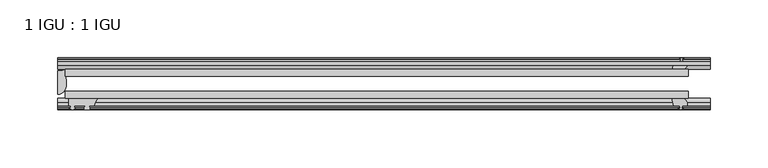
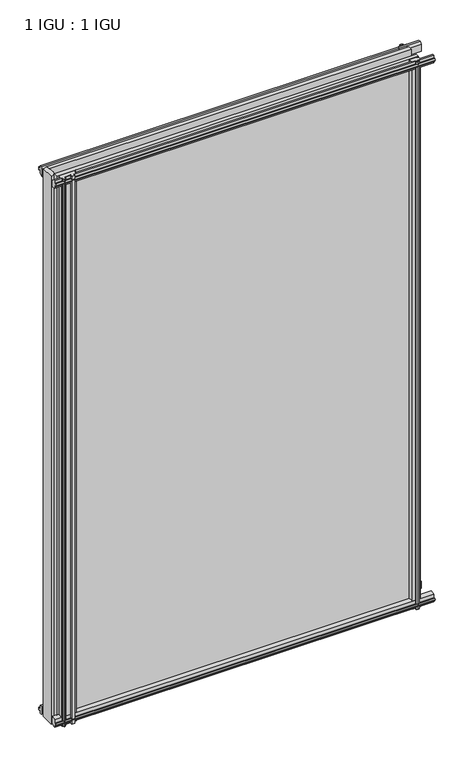
"""IFC4 building model written with IfcOpenShell, lengths in millimetres: plate geometry, 1 IGU : 1 IGU."""

from ifc_helpers import new_model, si_unit, point, frame, frame_2d, origin, place, context, project, spatial, polyline, circle_curve, ellipse_curve, trimmed, segment, composite_curve, outline, extrude, source, transform, mapped, element, save
from ifc_brep_helpers import plane_surface, cylinder_surface, revolved_surface, extruded_surface, advanced_brep


def plate_1_igu_1_igu_3858bde6(model_context):
    return source(origin(), model_context, "Body", "SolidModel", [
        extrude(outline(polyline([(-276.2250001, -38.6468937), (263.5250001, -38.6468937), (263.5250001, -44.9460938), (-276.2250001, -44.9460938), (-276.2250001, -38.6468937)])), frame((0.0, 0.0, -12.7), z_axis=(0.0, 0.0, 1.0), x_axis=(1.0, 0.0, 0.0)), (0.0, 0.0, 1.0), 863.5872996),
        extrude(outline(polyline([(-276.2250001, -19.5460937), (263.5250001, -19.5460937), (263.5250001, -25.8960938), (-276.2250001, -25.8960938), (-276.2250001, -19.5460937)])), frame((0.0, 0.0, -12.7), z_axis=(0.0, 0.0, 1.0), x_axis=(1.0, 0.0, 0.0)), (0.0, 0.0, 1.0), 863.5872996),
        advanced_brep(
        [(-282.5750001, -21.1706006, -12.7), (-276.2263882, -19.5461438, -12.7), (-276.2263882, -25.8549351, -12.7), (-275.0510369, -32.21431, -12.7), (-282.5750001, -41.5384043, -12.7), (-282.5750001, -21.1706006, 850.8872996), (-282.5750001, -41.5384043, 850.8872996), (-275.0510369, -32.21431, 850.8872996), (-276.2263882, -25.8549351, 850.8872996), (-276.2263882, -19.5461438, 850.8872996)],
        [
            (0, 1, circle_curve(frame((-282.5755695, -7.9505008, -12.7), z_axis=(0.0, 0.0, 1.0), x_axis=(1.0, 0.0, 0.0)), 13.2200998)),
            (1, 2),
            (2, 3, circle_curve(frame((-293.1134013, -32.2643264, -12.7), z_axis=(0.0, 0.0, -1.0), x_axis=(1.0, 0.0, 0.0)), 18.0624336)),
            (3, 4, ellipse_curve(frame((-282.5741672, -32.2460921, -12.7), z_axis=(0.0, 0.0, -1.0), x_axis=(0.0, -1.0, 0.0)), 9.2923123, 7.5231742)),
            (4, 0),
            (5, 6),
            (6, 7, ellipse_curve(frame((-282.5741672, -32.2460921, 850.8872996), z_axis=(0.0, 0.0, 1.0), x_axis=(0.0, -1.0, 0.0)), 9.2923123, 7.5231742)),
            (7, 8, circle_curve(frame((-293.1134013, -32.2643264, 850.8872996), z_axis=(0.0, 0.0, 1.0), x_axis=(1.0, 0.0, 0.0)), 18.0624336)),
            (8, 9),
            (9, 5, circle_curve(frame((-282.5755695, -7.9505008, 850.8872996), z_axis=(0.0, 0.0, -1.0), x_axis=(1.0, 0.0, 0.0)), 13.2200998)),
            (0, 5),
            (9, 1),
            (8, 2),
            (7, 3),
            (6, 4),
        ],
        [
            plane_surface(frame((-282.5750001, -13.1960937, -12.7), z_axis=(0.0, 0.0, -1.0), x_axis=(0.0, 1.0, 0.0))),
            plane_surface(frame((-282.5750001, -13.1960937, 850.8872996), z_axis=(0.0, 0.0, 1.0), x_axis=(0.0, 1.0, 0.0))),
            revolved_surface(polyline([(-269.35546969999996, -7.9505008, 850.8872996), (-269.35546969999996, -7.9505008, -12.7)]), (-282.5755695, -7.9505008, -12.7), (0.0, 0.0, 1.0)),
            plane_surface(frame((-276.2263882, -19.5461438, -12.7), z_axis=(1.0, 0.0, 0.0), x_axis=(0.0, 0.0, 1.0))),
            cylinder_surface(frame((-293.1134013, -32.2643264, -12.7), z_axis=(0.0, 0.0, -1.0), x_axis=(1.0, 0.0, 0.0)), 18.0624336),
            extruded_surface(trimmed(ellipse_curve(frame((-282.5741672, -32.2460921, 850.8872996), z_axis=(0.0, 0.0, -1.0), x_axis=(0.0, -1.0, 0.0)), 9.2923123, 7.5231742), [point((-275.0510369, -32.21431, 850.8872996))], [point((-282.5750001, -41.5384043, 850.8872996))], True, "CARTESIAN"), (0.0, 0.0, -863.5872996), 863.5872996),
            plane_surface(frame((-282.5750001, -41.5384043, -12.7), z_axis=(-1.0, 0.0, 0.0), x_axis=(0.0, 0.0, 1.0))),
        ],
        [
            (0, [[1, 2, 3, 4, 5]]),
            (1, [[6, 7, 8, 9, 10]]),
            (2, [[-1, 11, -10, 12]]),
            (3, [[-2, -12, -9, 13]]),
            (4, [[-3, -13, -8, 14]]),
            (5, [[-4, -14, -7, 15]]),
            (6, [[-5, -15, -6, -11]]),
        ],
    ),
        extrude(outline(polyline([(-44.9460937, 1.7177181), (-44.9460937, -9.1036578), (-48.3496937, -11.938), (-51.2960937, -11.938), (-51.2960937, -7.493), (-53.6762907, -7.112), (-53.2163575, -8.5275291), (-54.0175717, -8.5275291), (-54.7250937, -6.35), (-54.0175717, -4.1724709), (-53.2163575, -4.1724709), (-53.6762907, -5.588), (-51.2960937, -5.207), (-51.2960937, 0.0), (-44.9460937, 1.7177181)])), frame((-282.5750001, 0.0, 0.0), z_axis=(1.0, 0.0, 0.0), x_axis=(0.0, 1.0, 0.0)), (0.0, 0.0, 1.0), 565.1500002),
        extrude(outline(polyline([(-13.1960937, -12.4587), (-16.1424937, -12.4587), (-19.5460937, -9.6243578), (-19.5460937, 1.1970181), (-13.1960937, -0.5207), (-13.1960937, -5.7277), (-10.8158968, -6.1087), (-11.27583, -4.6931709), (-10.4746158, -4.6931709), (-9.7670937, -6.8707), (-10.4746158, -9.0482291), (-11.27583, -9.0482291), (-10.8158968, -7.6327), (-13.1960937, -8.0137), (-13.1960937, -12.4587)])), frame((-282.5750001, 0.0, 0.0), z_axis=(1.0, 0.0, 0.0), x_axis=(0.0, 1.0, 0.0)), (0.0, 0.0, 1.0), 565.1500002),
        extrude(outline(polyline([(-51.2960937, 850.1252996), (-48.3496937, 850.1252996), (-44.9460937, 847.2909574), (-44.9460937, 836.4695815), (-51.2960937, 838.1872996), (-51.2960937, 843.3942996), (-53.6762907, 843.7752996), (-53.2163575, 842.3597706), (-54.0175717, 842.3597706), (-54.7250937, 844.5372996), (-54.0175717, 846.7148287), (-53.2163575, 846.7148287), (-53.6762907, 845.2992996), (-51.2960937, 845.6802996), (-51.2960937, 850.1252996)])), frame((-282.5750001, 0.0, 0.0), z_axis=(1.0, 0.0, 0.0), x_axis=(0.0, 1.0, 0.0)), (0.0, 0.0, 1.0), 565.1500002),
        extrude(outline(polyline([(-19.5460937, 836.9902815), (-19.5460937, 847.8116574), (-16.1424937, 850.6459996), (-13.1960937, 850.6459996), (-13.1960937, 846.2009996), (-10.8158968, 845.8199996), (-11.27583, 847.2355287), (-10.4746158, 847.2355287), (-9.7670937, 845.0579996), (-10.4746158, 842.8804706), (-11.27583, 842.8804706), (-10.8158968, 844.2959996), (-13.1960937, 843.9149996), (-13.1960937, 838.7079996), (-19.5460937, 836.9902815)])), frame((-282.5750001, 0.0, 0.0), z_axis=(1.0, 0.0, 0.0), x_axis=(0.0, 1.0, 0.0)), (0.0, 0.0, 1.0), 565.1500002),
        extrude(outline(composite_curve([segment(trimmed(circle_curve(frame_2d((-241.8090688, -51.9750196)), 9.0414579), [point((-247.4960857, -44.9460938))], [point((-250.8250002, -51.2960938))], True, "CARTESIAN"), True, "CONTINUOUS"), segment(polyline([(-250.8250002, -51.2960938), (-255.0668002, -51.2960938)]), True, "CONTINUOUS"), segment(trimmed(circle_curve(frame_2d((-255.0668002, -51.7532938)), 0.4572), [point((-255.0668002, -51.2960938))], [point((-255.4056181, -52.0602698))], True, "CARTESIAN"), True, "CONTINUOUS"), segment(trimmed(circle_curve(frame_2d((-257.1750002, -53.663367)), 2.3876), [point((-255.4056181, -52.0602698))], [point((-255.1043572, -54.8520938))], False, "CARTESIAN"), True, "CONTINUOUS"), segment(polyline([(-255.1043572, -54.8520938), (-259.2456432, -54.8520938)]), True, "CONTINUOUS"), segment(trimmed(circle_curve(frame_2d((-257.1750002, -53.663367)), 2.3876), [point((-259.2456432, -54.8520938))], [point((-258.9443824, -52.0602698))], False, "CARTESIAN"), True, "CONTINUOUS"), segment(trimmed(circle_curve(frame_2d((-259.2832002, -51.7532938)), 0.4572), [point((-258.9443824, -52.0602698))], [point((-259.2832002, -51.2960938))], True, "CARTESIAN"), True, "CONTINUOUS"), segment(polyline([(-259.2832002, -51.2960938), (-268.3510002, -51.2960938), (-268.3510002, -52.9470938), (-267.2733695, -52.9470938)]), True, "CONTINUOUS"), segment(trimmed(circle_curve(frame_2d((-268.3510002, -52.9470938)), 1.0776307), [point((-267.2733695, -52.9470938))], [point((-267.5890002, -53.7090938))], False, "CARTESIAN"), True, "CONTINUOUS"), segment(polyline([(-267.5890002, -53.7090938), (-269.3282926, -54.8194621)]), True, "CONTINUOUS"), segment(trimmed(circle_curve(frame_2d((-269.8750002, -53.9630938)), 1.016), [point((-269.3282926, -54.8194621))], [point((-270.4217078, -54.8194621))], False, "CARTESIAN"), True, "CONTINUOUS"), segment(polyline([(-270.4217078, -54.8194621), (-272.1610002, -53.7090938)]), True, "CONTINUOUS"), segment(trimmed(circle_curve(frame_2d((-271.3990002, -52.9470938)), 1.0776307), [point((-272.1610002, -53.7090938))], [point((-272.476631, -52.9470938))], False, "CARTESIAN"), True, "CONTINUOUS"), segment(polyline([(-272.476631, -52.9470938), (-271.3990002, -52.9470938), (-271.3990002, -51.2960938), (-273.0500002, -51.2960938), (-273.0500002, -44.9460938), (-247.4960857, -44.9460938)]), True, "CONTINUOUS")], self_intersect=False)), frame((0.0, 0.0, -12.7), z_axis=(0.0, 0.0, 1.0), x_axis=(1.0, 0.0, 0.0)), (0.0, 0.0, 1.0), 863.5872998),
        extrude(outline(polyline([(249.627982, -19.5460938), (251.3457001, -13.1960938), (256.5527001, -13.1960938), (256.9337001, -10.8158968), (255.518171, -11.27583), (255.518171, -10.4746158), (257.6957001, -9.7670938), (259.8732291, -10.4746158), (259.8732291, -11.27583), (258.4577001, -10.8158968), (258.8387001, -13.1960938), (263.2837001, -13.1960938), (263.2837001, -16.1424938), (260.4493579, -19.5460938), (249.627982, -19.5460938)])), frame((0.0, 0.0, -12.7), z_axis=(0.0, 0.0, 1.0), x_axis=(1.0, 0.0, 0.0)), (0.0, 0.0, 1.0), 863.5872998),
        extrude(outline(polyline([(249.107282, -44.9460938), (259.9286579, -44.9460938), (262.7630001, -48.3496938), (262.7630001, -51.2960938), (258.3180001, -51.2960938), (257.9370001, -53.6762907), (259.3525291, -53.2163575), (259.3525291, -54.0175717), (257.1750001, -54.7250938), (254.997471, -54.0175717), (254.997471, -53.2163575), (256.4130001, -53.6762907), (256.0320001, -51.2960938), (250.8250001, -51.2960938), (249.107282, -44.9460938)])), frame((0.0, 0.0, -12.7), z_axis=(0.0, 0.0, 1.0), x_axis=(1.0, 0.0, 0.0)), (0.0, 0.0, 1.0), 863.5872998),
    ])


if __name__ == "__main__":
    model = new_model("IFC4")
    model_context = context("Model", 3, world=origin())
    ifc_project = project(units=[si_unit("LENGTHUNIT", "METRE", prefix="MILLI")], contexts=[model_context])
    site = spatial("IfcSite", under=ifc_project)
    building = spatial("IfcBuilding", under=site)
    placement = place(None, origin())
    plate_1_igu_1_igu_shape = plate_1_igu_1_igu_3858bde6(model_context)
    element("IfcPlate", 1, ObjectType="1 IGU : 1 IGU", at=placement, inside=building, context=model_context, shape_type="MappedRepresentation", body=[
        mapped(plate_1_igu_1_igu_shape, transform((0.0, 0.0, 0.0), x_axis=(1.0, 0.0, 0.0), y_axis=(0.0, 1.0, 0.0), z_axis=(0.0, 0.0, 1.0))),
    ])
    save(model, "model.ifc")
